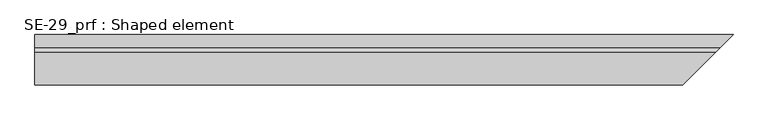
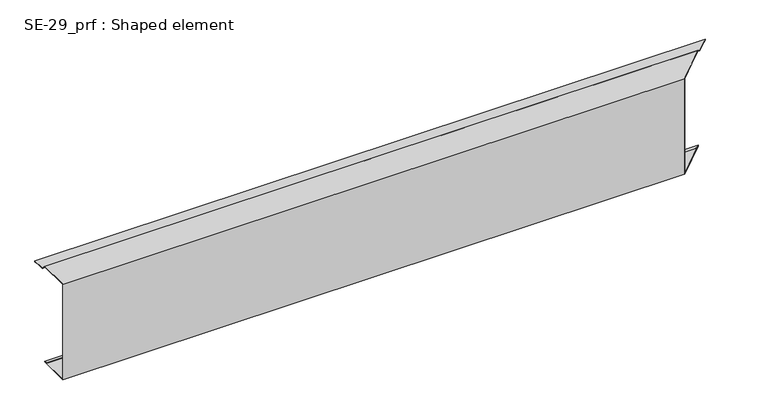
"""IFC4 building model written with IfcOpenShell, lengths in millimetres: proxy geometry, SE-29_prf : Shaped element."""

from ifc_helpers import new_model, si_unit, origin, place, context, project, spatial, faceted_brep, source, transform, mapped, element, save


def se_29_prf_shaped_element_7cf4adad(model_context):
    return source(origin(), model_context, "Body", "Brep", [
        faceted_brep([(0.0, 150.8492424, 2.0), (0.0, 150.8492424, 5.0), (2150.8492424, 150.8492424, 5.0), (2150.8492424, 150.8492424, 2.0), (0.0, 140.8492424, 2.0), (2140.8492424, 140.8492424, 2.0), (0.0, 140.8492424, 3.0), (2140.8492424, 140.8492424, 3.0), (0.0, 149.8492424, 3.0), (2149.8492424, 149.8492424, 3.0), (0.0, 149.8492424, 4.0), (2149.8492424, 149.8492424, 4.0), (0.0, 110.4350288, 4.0), (2110.4350288, 110.4350288, 4.0), (0.0, -3.0, -304.0), (0.0, -3.0, 18.8492424), (1997.0, -3.0, 18.8492424), (1997.0, -3.0, -304.0), (0.0, 95.0, -304.0), (0.0, 0.0, -304.0), (2000.0, 0.0, -304.0), (2095.0, 95.0, -304.0), (0.0, 95.0, -303.0), (2095.0, 95.0, -303.0), (0.0, 86.0, -303.0), (2086.0, 86.0, -303.0), (0.0, 86.0, -302.0), (2086.0, 86.0, -302.0), (0.0, 96.0, -302.0), (2096.0, 96.0, -302.0), (0.0, 96.0, -305.0), (2096.0, 96.0, -305.0), (0.0, 0.0, -305.0), (2000.0, 0.0, -305.0), (1996.0, -4.0, -305.0), (0.0, -4.0, -305.0), (0.0, -4.0, 19.8492424), (1996.0, -4.0, 19.8492424), (0.0, 110.8492424, 5.0), (2110.8492424, 110.8492424, 5.0), (0.0, 95.5857864, 18.8492424), (2095.5857864, 95.5857864, 18.8492424), (0.0, 0.0, 18.8492424), (2000.0, 0.0, 18.8492424), (0.0, 96.0, 19.8492424), (0.0, 0.0, 19.8492424), (2000.0, 0.0, 19.8492424), (2096.0, 96.0, 19.8492424)], [[[0, 1, 2, 3]], [[4, 0, 3, 5]], [[6, 4, 5, 7]], [[8, 6, 7, 9]], [[10, 8, 9, 11]], [[12, 10, 11, 13]], [[14, 15, 16, 17]], [[18, 19, 14, 17, 20, 21]], [[22, 18, 21, 23]], [[24, 22, 23, 25]], [[26, 24, 25, 27]], [[28, 26, 27, 29]], [[30, 28, 29, 31]], [[32, 30, 31, 33, 34, 35]], [[36, 35, 34, 37]], [[1, 38, 39, 2]], [[40, 12, 13, 41]], [[42, 40, 41, 43, 16, 15]], [[44, 45, 36, 37, 46, 47]], [[38, 44, 47, 39]], [[32, 19, 18, 22, 24, 26, 28, 30]], [[42, 45, 44, 38, 1, 0, 4, 6, 8, 10, 12, 40]], [[19, 32, 35, 36, 45, 42, 15, 14]], [[20, 33, 31, 29, 27, 25, 23, 21]], [[46, 43, 41, 13, 11, 9, 7, 5, 3, 2, 39, 47]], [[33, 20, 17, 16, 43, 46, 37, 34]]]),
    ])


if __name__ == "__main__":
    model = new_model("IFC4")
    model_context = context("Model", 3, world=origin())
    ifc_project = project(units=[si_unit("LENGTHUNIT", "METRE", prefix="MILLI")], contexts=[model_context])
    site = spatial("IfcSite", under=ifc_project)
    building = spatial("IfcBuilding", under=site)
    placement = place(None, origin())
    se_29_prf_shaped_element_shape = se_29_prf_shaped_element_7cf4adad(model_context)
    element("IfcBuildingElementProxy", 1, Name="SE-29_prf : Shaped element", ObjectType="SE-29_prf : Shaped element", at=placement, inside=building, context=model_context, shape_type="MappedRepresentation", body=[
        mapped(se_29_prf_shaped_element_shape, transform((0.0, 0.0, 0.0), x_axis=(1.0, 0.0, 0.0), y_axis=(0.0, 1.0, 0.0), z_axis=(0.0, 0.0, 1.0))),
    ])
    save(model, "model.ifc")
